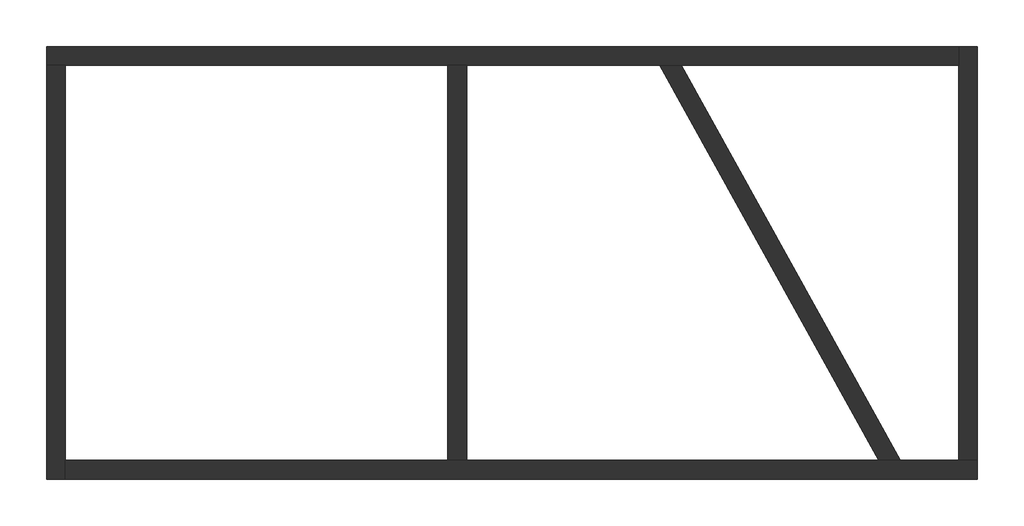
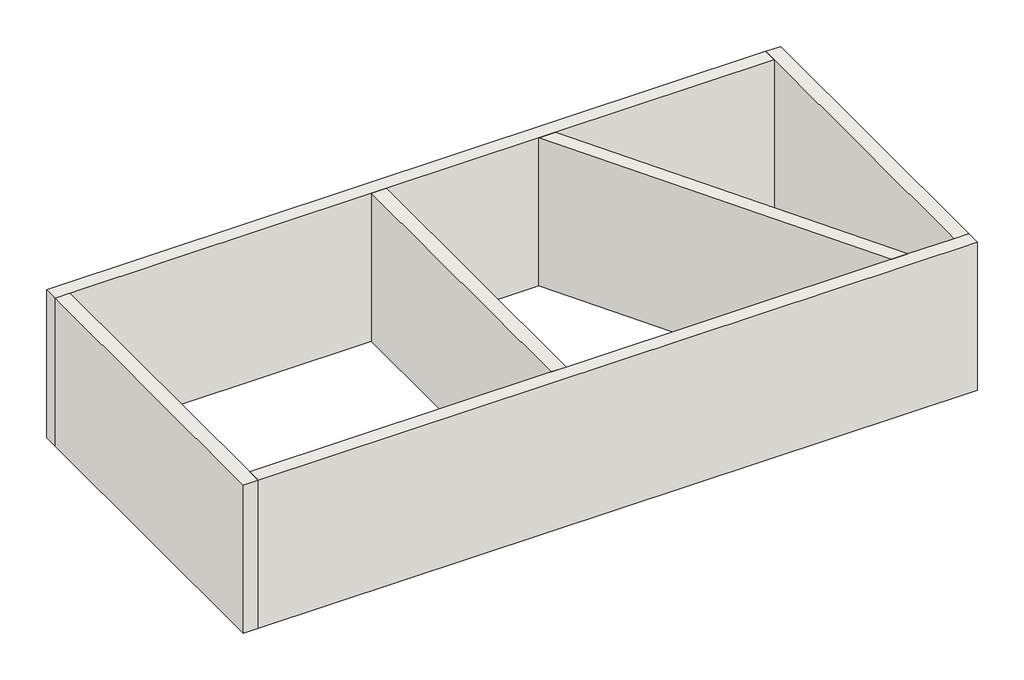
# One storey: 6 walls.
"""IFC4 building model written with IfcOpenShell, lengths in millimetres."""

import ifcopenshell
import ifcopenshell.guid

model = None  # the IFC model being written
_history = None  # IfcOwnerHistory: only IFC2X3 demands one
_inside = {}  # id of a spatial element -> (the spatial element, [elements in it])
_under = {}  # id of a project, library or spatial element -> (it, [spatial elements below it])
_declared = {}  # id of a project -> (the project, [libraries it declares])
_typed = {}  # id of a type object -> (the type object, [elements of that type])
_made_of = {}  # id of a material, layer set ... -> (it, [elements and type objects made of it])


def new_model(schema):
    """Start an empty IFC model of exactly this schema.

    Asked for "IFC4X3", IfcOpenShell would pick the latest addendum, in which some entities
    have other attributes; the version numbers below select the first issue.
    IFC2X3 requires an IfcOwnerHistory on every rooted entity: one is made here for all.
    """
    global model, _history
    if schema == "IFC4X3":
        model = ifcopenshell.file(schema_version=(4, 3, 0, 0))
    else:
        model = ifcopenshell.file(schema=schema)
    _inside.clear()
    _under.clear()
    _declared.clear()
    _typed.clear()
    _made_of.clear()
    _history = None
    if model.schema == "IFC2X3":
        org = make("IfcOrganization", Name="unknown")
        user = make(
            "IfcPersonAndOrganization",
            ThePerson=make("IfcPerson", FamilyName="unknown"),
            TheOrganization=org,
        )
        app = make(
            "IfcApplication",
            ApplicationDeveloper=org,
            Version="unknown",
            ApplicationFullName="unknown",
            ApplicationIdentifier="unknown",
        )
        _history = make(
            "IfcOwnerHistory",
            OwningUser=user,
            OwningApplication=app,
            ChangeAction="ADDED",
            CreationDate=0,
        )
    return model


def make(cls, **values):
    """One entity of the class cls with the attributes given. An attribute that is None is left unset."""
    return model.create_entity(
        cls, **{name: value for name, value in values.items() if value is not None}
    )


def rooted(cls, **values):
    """An entity with a GlobalId (a new one), such as an element, a storey or a relation."""
    return make(cls, GlobalId=ifcopenshell.guid.new(), OwnerHistory=_history, **values)


def si_unit(unit_type, name, prefix=None):
    """IfcSIUnit, for example si_unit("LENGTHUNIT", "METRE", prefix="MILLI")."""
    return make("IfcSIUnit", UnitType=unit_type, Prefix=prefix, Name=name)


def assignment(units):
    """IfcUnitAssignment: the units of a project."""
    return None if units is None else make("IfcUnitAssignment", Units=units)


def point(xyz):
    """IfcCartesianPoint."""
    return None if xyz is None else make("IfcCartesianPoint", Coordinates=xyz)


def direction(xyz):
    """IfcDirection."""
    return None if xyz is None else make("IfcDirection", DirectionRatios=xyz)


def frame(location, z_axis=None, x_axis=None):
    """IfcAxis2Placement3D, a coordinate frame: its origin and axes. An axis left out is left unset."""
    return make(
        "IfcAxis2Placement3D",
        Location=point(location),
        Axis=direction(z_axis),
        RefDirection=direction(x_axis),
    )


def origin():
    """The frame at (0, 0, 0) with its axes left unset."""
    return frame((0.0, 0.0, 0.0))


def origin_with_axes():
    """The frame at (0, 0, 0) with the z axis (0, 0, 1) and the x axis (1, 0, 0) written out."""
    return frame((0.0, 0.0, 0.0), z_axis=(0.0, 0.0, 1.0), x_axis=(1.0, 0.0, 0.0))


def place(relative_to, where):
    """IfcLocalPlacement: puts the frame where relative to a parent placement (None: the world)."""
    return make(
        "IfcLocalPlacement", PlacementRelTo=relative_to, RelativePlacement=where
    )


def context(
    kind, dimensions, precision=None, world=None, true_north=None, identifier=None
):
    """IfcGeometricRepresentationContext, for example the 3D "Model" context."""
    return make(
        "IfcGeometricRepresentationContext",
        ContextIdentifier=identifier,
        ContextType=kind,
        CoordinateSpaceDimension=dimensions,
        Precision=precision,
        WorldCoordinateSystem=world,
        TrueNorth=true_north,
    )


def project(units=None, contexts=None):
    """IfcProject with its units and contexts."""
    return rooted(
        "IfcProject",
        Name="project",
        RepresentationContexts=contexts,
        UnitsInContext=assignment(units),
    )


def spatial(cls, under=None, at=None, **own):
    """A site, building, storey or space (cls), placed at a placement, below another one or the project."""
    s = rooted(cls, ObjectPlacement=at, **own)
    if under is not None:
        _under.setdefault(under.id(), (under, []))[1].append(s)
    return s


def polyline(points):
    """IfcPolyline through the points."""
    return make("IfcPolyline", Points=[point(p) for p in points])


def outline(outer, holes=None, kind="AREA"):
    """IfcArbitraryClosedProfileDef: a profile drawn as a closed curve; with holes, ...WithVoids."""
    if holes is None:
        return make("IfcArbitraryClosedProfileDef", ProfileType=kind, OuterCurve=outer)
    return make(
        "IfcArbitraryProfileDefWithVoids",
        ProfileType=kind,
        OuterCurve=outer,
        InnerCurves=holes,
    )


def extrude(swept, where, along, depth):
    """IfcExtrudedAreaSolid: the profile swept, set in the frame where, extruded along a direction by depth."""
    return make(
        "IfcExtrudedAreaSolid",
        SweptArea=swept,
        Position=where,
        ExtrudedDirection=direction(along),
        Depth=depth,
    )


def faces_of(points, faces, orient=None, outer=None):
    """IfcFace entities. A face is a list of loops; a loop is a list of indices into points, from 0.

    orient and outer hold one flag for each loop. By default every Orientation is true, the
    first loop of a face is its IfcFaceOuterBound and the others are IfcFaceBound.
    """
    made = []
    for i, loops in enumerate(faces):
        bounds = []
        for j, loop in enumerate(loops):
            is_outer = j == 0 if outer is None else outer[i][j]
            bounds.append(
                make(
                    "IfcFaceOuterBound" if is_outer else "IfcFaceBound",
                    Bound=make("IfcPolyLoop", Polygon=[points[k] for k in loop]),
                    Orientation=True if orient is None else orient[i][j],
                )
            )
        made.append(make("IfcFace", Bounds=bounds))
    return made


def faceted_brep(points, faces, orient=None, outer=None, voids=None):
    """IfcFacetedBrep: a solid bounded by flat faces; with voids (closed shells), ...WithVoids."""
    shared = [point(p) for p in points]
    hull = make("IfcClosedShell", CfsFaces=faces_of(shared, faces, orient, outer))
    if voids is None:
        return make("IfcFacetedBrep", Outer=hull)
    return make(
        "IfcFacetedBrepWithVoids",
        Outer=hull,
        Voids=[
            make(cls, CfsFaces=faces_of(shared, fs, o, b)) for cls, fs, o, b in voids
        ],
    )


def shape(context_of_items, identifier, shape_type, items):
    """IfcShapeRepresentation: the items that make up one representation, for example the "Body"."""
    return make(
        "IfcShapeRepresentation",
        ContextOfItems=context_of_items,
        RepresentationIdentifier=identifier,
        RepresentationType=shape_type,
        Items=items,
    )


def made_of(thing, what):
    """Note that an element or type object is made of a material, layer set ...; save() writes the relation."""
    if what is not None:
        _made_of.setdefault(what.id(), (what, []))[1].append(thing)
    return thing


def element(
    cls,
    number,
    at=None,
    inside=None,
    cuts=None,
    type_object=None,
    material=None,
    context=None,
    identifier="Body",
    shape_type=None,
    held_by="IfcProductDefinitionShape",
    body=None,
    shapes=None,
    **own,
):
    """One element of the class cls, such as IfcWall. Its Tag is "e" and its number.

    at: its placement. inside: the storey or other place that contains it. cuts: it is an
    opening in that element (IfcRelVoidsElement). A single representation is given by context,
    identifier, shape_type and body (its items); several are given by shapes. held_by: the class
    of the entity that holds the representations. save() writes the other relations.
    """
    e = rooted(cls, Tag="e%d" % number, ObjectPlacement=at, **own)
    if body is not None:
        shapes = [shape(context, identifier, shape_type, body)]
    if shapes is not None:
        e.Representation = make(held_by, Representations=shapes)
    if inside is not None:
        _inside.setdefault(inside.id(), (inside, []))[1].append(e)
    if cuts is not None:
        rooted(
            "IfcRelVoidsElement", RelatingBuildingElement=cuts, RelatedOpeningElement=e
        )
    if type_object is not None:
        _typed.setdefault(type_object.id(), (type_object, []))[1].append(e)
    return made_of(e, material)


def aggregate(whole, parts):
    """IfcRelAggregates: a whole, such as a stair, and the parts it consists of."""
    return rooted("IfcRelAggregates", RelatingObject=whole, RelatedObjects=parts)


def save(model, path):
    """Write the relations noted so far, then the file.

    IfcRelAggregates (storeys below a building ...), IfcRelContainedInSpatialStructure (elements
    in a storey), IfcRelDefinesByType, IfcRelAssociatesMaterial and IfcRelDeclares: one each for
    every whole, place, type object, material and project.
    """
    for whole, parts in _under.values():
        aggregate(whole, parts)
    for where, things in _inside.values():
        rooted(
            "IfcRelContainedInSpatialStructure",
            RelatedElements=things,
            RelatingStructure=where,
        )
    for kind, things in _typed.values():
        rooted("IfcRelDefinesByType", RelatedObjects=things, RelatingType=kind)
    for what, things in _made_of.values():
        rooted("IfcRelAssociatesMaterial", RelatedObjects=things, RelatingMaterial=what)
    for by, libraries in _declared.values():
        rooted("IfcRelDeclares", RelatingContext=by, RelatedDefinitions=libraries)
    model.write(path)


model = new_model("IFC4")

# Units and contexts
model_context = context("Model", 3, world=origin())
ifc_project = project(units=[si_unit("LENGTHUNIT", "METRE", prefix="MILLI")], contexts=[model_context])

# Site, building, storey
site = spatial("IfcSite", under=ifc_project)
building = spatial("IfcBuilding", under=site)
storey = spatial("IfcBuildingStorey", under=building, Elevation=0.0)

# Walls
placement = place(None, origin())
element("IfcWall", 1, at=placement, inside=storey, context=model_context, shape_type="Brep", body=[
    faceted_brep([(5423.3526039, -18863.6100483, 0.0), (5801.3526039, -18863.6100483, 0.0), (13512.3526039, -18863.6100483, 0.0), (13890.3526039, -18863.6100483, 0.0), (17783.9060812, -18863.6100483, 0.0), (18216.0939188, -18863.6100483, 0.0), (23811.0, -18863.6100483, 0.0), (23811.0, -18863.6100483, 4000.0), (18216.0939188, -18863.6100483, 4000.0), (17783.9060812, -18863.6100483, 4000.0), (13890.3526039, -18863.6100483, 4000.0), (13512.3526039, -18863.6100483, 4000.0), (5801.3526039, -18863.6100483, 4000.0), (5423.3526039, -18863.6100483, 4000.0), (5423.3526039, -18485.6100483, 0.0), (5423.3526039, -18485.6100483, 4000.0), (23811.0, -18485.6100483, 4000.0), (23811.0, -18485.6100483, 0.0)], [[[0, 1, 2, 3, 4, 5, 6, 7, 8, 9, 10, 11, 12, 13]], [[14, 15, 16, 17]], [[6, 5, 4, 3, 2, 1, 0, 14, 17]], [[13, 12, 11, 10, 9, 8, 7, 16, 15]], [[0, 13, 15, 14]], [[7, 6, 17, 16]]]),
])
element("IfcWall", 2, at=placement, inside=storey, context=model_context, shape_type="Brep", body=[
    faceted_brep([(5801.3526039, -27206.3578318, 0.0), (5801.3526039, -26828.3578318, 0.0), (5801.3526039, -18863.6100483, 0.0), (5801.3526039, -18863.6100483, 4000.0), (5801.3526039, -26828.3578318, 4000.0), (5801.3526039, -27206.3578318, 4000.0), (5423.3526039, -27206.3578318, 0.0), (5423.3526039, -27206.3578318, 4000.0), (5423.3526039, -18863.6100483, 4000.0), (5423.3526039, -18863.6100483, 0.0)], [[[0, 1, 2, 3, 4, 5]], [[6, 7, 8, 9]], [[2, 1, 0, 6, 9]], [[5, 4, 3, 8, 7]], [[0, 5, 7, 6]], [[3, 2, 9, 8]]]),
])
element("IfcWall", 3, at=placement, inside=storey, context=model_context, shape_type="Brep", body=[
    faceted_brep([(24189.0, -26828.3578318, 0.0), (23811.0, -26828.3578318, 0.0), (22631.0257078, -26828.3578318, 0.0), (22198.8378701, -26828.3578318, 0.0), (13890.3526039, -26828.3578318, 0.0), (13512.3526039, -26828.3578318, 0.0), (5801.3526039, -26828.3578318, 0.0), (5801.3526039, -26828.3578318, 4000.0), (13512.3526039, -26828.3578318, 4000.0), (13890.3526039, -26828.3578318, 4000.0), (22198.8378701, -26828.3578318, 4000.0), (22631.0257078, -26828.3578318, 4000.0), (23811.0, -26828.3578318, 4000.0), (24189.0, -26828.3578318, 4000.0), (24189.0, -27206.3578318, 0.0), (24189.0, -27206.3578318, 4000.0), (5801.3526039, -27206.3578318, 4000.0), (5801.3526039, -27206.3578318, 0.0)], [[[0, 1, 2, 3, 4, 5, 6, 7, 8, 9, 10, 11, 12, 13]], [[14, 15, 16, 17]], [[6, 5, 4, 3, 2, 1, 0, 14, 17]], [[13, 12, 11, 10, 9, 8, 7, 16, 15]], [[0, 13, 15, 14]], [[7, 6, 17, 16]]]),
])
element("IfcWall", 4, at=placement, inside=storey, context=model_context, shape_type="Brep", body=[
    faceted_brep([(23811.0, -18485.6100483, 0.0), (23811.0, -18863.6100483, 0.0), (23811.0, -26828.3578318, 0.0), (23811.0, -26828.3578318, 4000.0), (23811.0, -18863.6100483, 4000.0), (23811.0, -18485.6100483, 4000.0), (24189.0, -18485.6100483, 0.0), (24189.0, -18485.6100483, 4000.0), (24189.0, -26828.3578318, 4000.0), (24189.0, -26828.3578318, 0.0)], [[[0, 1, 2, 3, 4, 5]], [[6, 7, 8, 9]], [[2, 1, 0, 6, 9]], [[5, 4, 3, 8, 7]], [[0, 5, 7, 6]], [[3, 2, 9, 8]]]),
])
element("IfcWall", 5, at=placement, inside=storey, context=model_context, shape_type="SweptSolid", body=[
    extrude(outline(polyline([(13512.3526039, -26828.3578318), (13512.3526039, -18863.6100483), (13890.3526039, -18863.6100483), (13890.3526039, -26828.3578318), (13512.3526039, -26828.3578318)])), origin_with_axes(), (0.0, 0.0, 1.0), 4000.0),
])
element("IfcWall", 6, at=placement, inside=storey, context=model_context, shape_type="SweptSolid", body=[
    extrude(outline(polyline([(22198.8378701, -26828.3578318), (17783.9060812, -18863.6100483), (18216.0939188, -18863.6100483), (22631.0257078, -26828.3578318), (22198.8378701, -26828.3578318)])), origin_with_axes(), (0.0, 0.0, 1.0), 4000.0),
])

save(model, "model.ifc")
